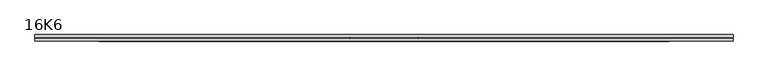
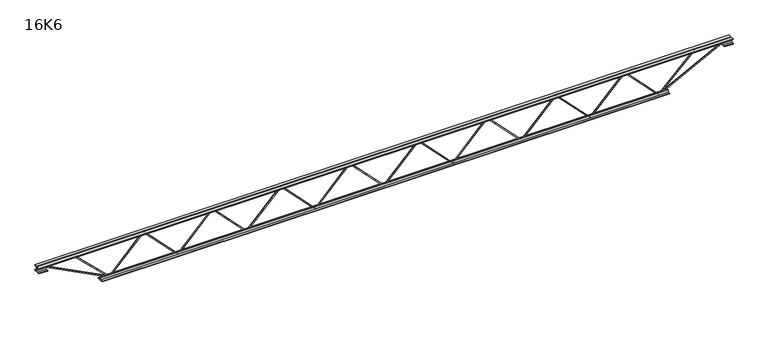
"""IFC4 building model written with IfcOpenShell, lengths in millimetres: beam geometry, 16K6."""

import ifcopenshell
import ifcopenshell.guid

model = None  # the IFC model being written
_history = None  # IfcOwnerHistory: only IFC2X3 demands one
_inside = {}  # id of a spatial element -> (the spatial element, [elements in it])
_under = {}  # id of a project, library or spatial element -> (it, [spatial elements below it])
_declared = {}  # id of a project -> (the project, [libraries it declares])
_typed = {}  # id of a type object -> (the type object, [elements of that type])
_made_of = {}  # id of a material, layer set ... -> (it, [elements and type objects made of it])


def new_model(schema):
    """Start an empty IFC model of exactly this schema.

    Asked for "IFC4X3", IfcOpenShell would pick the latest addendum, in which some entities
    have other attributes; the version numbers below select the first issue.
    IFC2X3 requires an IfcOwnerHistory on every rooted entity: one is made here for all.
    """
    global model, _history
    if schema == "IFC4X3":
        model = ifcopenshell.file(schema_version=(4, 3, 0, 0))
    else:
        model = ifcopenshell.file(schema=schema)
    _inside.clear()
    _under.clear()
    _declared.clear()
    _typed.clear()
    _made_of.clear()
    _history = None
    if model.schema == "IFC2X3":
        org = make("IfcOrganization", Name="unknown")
        user = make(
            "IfcPersonAndOrganization",
            ThePerson=make("IfcPerson", FamilyName="unknown"),
            TheOrganization=org,
        )
        app = make(
            "IfcApplication",
            ApplicationDeveloper=org,
            Version="unknown",
            ApplicationFullName="unknown",
            ApplicationIdentifier="unknown",
        )
        _history = make(
            "IfcOwnerHistory",
            OwningUser=user,
            OwningApplication=app,
            ChangeAction="ADDED",
            CreationDate=0,
        )
    return model


def make(cls, **values):
    """One entity of the class cls with the attributes given. An attribute that is None is left unset."""
    return model.create_entity(
        cls, **{name: value for name, value in values.items() if value is not None}
    )


def rooted(cls, **values):
    """An entity with a GlobalId (a new one), such as an element, a storey or a relation."""
    return make(cls, GlobalId=ifcopenshell.guid.new(), OwnerHistory=_history, **values)


def si_unit(unit_type, name, prefix=None):
    """IfcSIUnit, for example si_unit("LENGTHUNIT", "METRE", prefix="MILLI")."""
    return make("IfcSIUnit", UnitType=unit_type, Prefix=prefix, Name=name)


def assignment(units):
    """IfcUnitAssignment: the units of a project."""
    return None if units is None else make("IfcUnitAssignment", Units=units)


def point(xyz):
    """IfcCartesianPoint."""
    return None if xyz is None else make("IfcCartesianPoint", Coordinates=xyz)


def direction(xyz):
    """IfcDirection."""
    return None if xyz is None else make("IfcDirection", DirectionRatios=xyz)


def frame(location, z_axis=None, x_axis=None):
    """IfcAxis2Placement3D, a coordinate frame: its origin and axes. An axis left out is left unset."""
    return make(
        "IfcAxis2Placement3D",
        Location=point(location),
        Axis=direction(z_axis),
        RefDirection=direction(x_axis),
    )


def origin():
    """The frame at (0, 0, 0) with its axes left unset."""
    return frame((0.0, 0.0, 0.0))


def place(relative_to, where):
    """IfcLocalPlacement: puts the frame where relative to a parent placement (None: the world)."""
    return make(
        "IfcLocalPlacement", PlacementRelTo=relative_to, RelativePlacement=where
    )


def context(
    kind, dimensions, precision=None, world=None, true_north=None, identifier=None
):
    """IfcGeometricRepresentationContext, for example the 3D "Model" context."""
    return make(
        "IfcGeometricRepresentationContext",
        ContextIdentifier=identifier,
        ContextType=kind,
        CoordinateSpaceDimension=dimensions,
        Precision=precision,
        WorldCoordinateSystem=world,
        TrueNorth=true_north,
    )


def project(units=None, contexts=None):
    """IfcProject with its units and contexts."""
    return rooted(
        "IfcProject",
        Name="project",
        RepresentationContexts=contexts,
        UnitsInContext=assignment(units),
    )


def spatial(cls, under=None, at=None, **own):
    """A site, building, storey or space (cls), placed at a placement, below another one or the project."""
    s = rooted(cls, ObjectPlacement=at, **own)
    if under is not None:
        _under.setdefault(under.id(), (under, []))[1].append(s)
    return s


def polyline(points):
    """IfcPolyline through the points."""
    return make("IfcPolyline", Points=[point(p) for p in points])


def outline(outer, holes=None, kind="AREA"):
    """IfcArbitraryClosedProfileDef: a profile drawn as a closed curve; with holes, ...WithVoids."""
    if holes is None:
        return make("IfcArbitraryClosedProfileDef", ProfileType=kind, OuterCurve=outer)
    return make(
        "IfcArbitraryProfileDefWithVoids",
        ProfileType=kind,
        OuterCurve=outer,
        InnerCurves=holes,
    )


def extrude(swept, where, along, depth):
    """IfcExtrudedAreaSolid: the profile swept, set in the frame where, extruded along a direction by depth."""
    return make(
        "IfcExtrudedAreaSolid",
        SweptArea=swept,
        Position=where,
        ExtrudedDirection=direction(along),
        Depth=depth,
    )


def shape(context_of_items, identifier, shape_type, items):
    """IfcShapeRepresentation: the items that make up one representation, for example the "Body"."""
    return make(
        "IfcShapeRepresentation",
        ContextOfItems=context_of_items,
        RepresentationIdentifier=identifier,
        RepresentationType=shape_type,
        Items=items,
    )


def source(mapping_origin, context_of_items, identifier, shape_type, items):
    """IfcRepresentationMap: a shape defined once, which mapped items show again and again."""
    return make(
        "IfcRepresentationMap",
        MappingOrigin=mapping_origin,
        MappedRepresentation=shape(context_of_items, identifier, shape_type, items),
    )


def transform(
    local_origin,
    x_axis=None,
    y_axis=None,
    z_axis=None,
    scale=None,
    scale2=None,
    scale3=None,
    uniform=True,
):
    """IfcCartesianTransformationOperator3D, or its non-uniform kind. x_axis, y_axis, z_axis: its Axis1, 2, 3."""
    if uniform:
        return make(
            "IfcCartesianTransformationOperator3D",
            Axis1=direction(x_axis),
            Axis2=direction(y_axis),
            LocalOrigin=point(local_origin),
            Scale=scale,
            Axis3=direction(z_axis),
        )
    return make(
        "IfcCartesianTransformationOperator3DnonUniform",
        Axis1=direction(x_axis),
        Axis2=direction(y_axis),
        LocalOrigin=point(local_origin),
        Scale=scale,
        Axis3=direction(z_axis),
        Scale2=scale2,
        Scale3=scale3,
    )


def mapped(mapping_source, mapping_target):
    """IfcMappedItem: shows the shape of a source again, moved by a transform."""
    return make(
        "IfcMappedItem", MappingSource=mapping_source, MappingTarget=mapping_target
    )


def made_of(thing, what):
    """Note that an element or type object is made of a material, layer set ...; save() writes the relation."""
    if what is not None:
        _made_of.setdefault(what.id(), (what, []))[1].append(thing)
    return thing


def element(
    cls,
    number,
    at=None,
    inside=None,
    cuts=None,
    type_object=None,
    material=None,
    context=None,
    identifier="Body",
    shape_type=None,
    held_by="IfcProductDefinitionShape",
    body=None,
    shapes=None,
    **own,
):
    """One element of the class cls, such as IfcWall. Its Tag is "e" and its number.

    at: its placement. inside: the storey or other place that contains it. cuts: it is an
    opening in that element (IfcRelVoidsElement). A single representation is given by context,
    identifier, shape_type and body (its items); several are given by shapes. held_by: the class
    of the entity that holds the representations. save() writes the other relations.
    """
    e = rooted(cls, Tag="e%d" % number, ObjectPlacement=at, **own)
    if body is not None:
        shapes = [shape(context, identifier, shape_type, body)]
    if shapes is not None:
        e.Representation = make(held_by, Representations=shapes)
    if inside is not None:
        _inside.setdefault(inside.id(), (inside, []))[1].append(e)
    if cuts is not None:
        rooted(
            "IfcRelVoidsElement", RelatingBuildingElement=cuts, RelatedOpeningElement=e
        )
    if type_object is not None:
        _typed.setdefault(type_object.id(), (type_object, []))[1].append(e)
    return made_of(e, material)


def aggregate(whole, parts):
    """IfcRelAggregates: a whole, such as a stair, and the parts it consists of."""
    return rooted("IfcRelAggregates", RelatingObject=whole, RelatedObjects=parts)


def save(model, path):
    """Write the relations noted so far, then the file.

    IfcRelAggregates (storeys below a building ...), IfcRelContainedInSpatialStructure (elements
    in a storey), IfcRelDefinesByType, IfcRelAssociatesMaterial and IfcRelDeclares: one each for
    every whole, place, type object, material and project.
    """
    for whole, parts in _under.values():
        aggregate(whole, parts)
    for where, things in _inside.values():
        rooted(
            "IfcRelContainedInSpatialStructure",
            RelatedElements=things,
            RelatingStructure=where,
        )
    for kind, things in _typed.values():
        rooted("IfcRelDefinesByType", RelatedObjects=things, RelatingType=kind)
    for what, things in _made_of.values():
        rooted("IfcRelAssociatesMaterial", RelatedObjects=things, RelatingMaterial=what)
    for by, libraries in _declared.values():
        rooted("IfcRelDeclares", RelatingContext=by, RelatedDefinitions=libraries)
    model.write(path)


def beam_16k6_2b6d0ea9(model_context):
    return source(origin(), model_context, "Body", "SweptSolid", [
        extrude(outline(polyline([(-191.9, 1542.0), (-201.4, 1542.0), (-201.4, 1547.1936747), (191.9, 1926.3436747), (191.9, 1928.6563253), (-201.4, 2307.8063253), (-201.4, 2313.0), (-191.9, 2313.0), (-191.9, 2311.8436747), (201.4, 1932.6936747), (201.4, 1922.3063253), (-191.9, 1543.1563253), (-191.9, 1542.0)])), frame((0.0, -4.75, 0.0), z_axis=(0.0, 1.0, 0.0), x_axis=(0.0, 0.0, 1.0)), (0.0, 0.0, 1.0), 9.5),
        extrude(outline(polyline([(-191.9, 771.0), (-201.4, 771.0), (-201.4, 776.1936747), (191.9, 1155.3436747), (191.9, 1157.6563253), (-201.4, 1536.8063253), (-201.4, 1542.0), (-191.9, 1542.0), (-191.9, 1540.8436747), (201.4, 1161.6936747), (201.4, 1151.3063253), (-191.9, 772.1563253), (-191.9, 771.0)])), frame((0.0, -4.75, 0.0), z_axis=(0.0, 1.0, 0.0), x_axis=(0.0, 0.0, 1.0)), (0.0, 0.0, 1.0), 9.5),
        extrude(outline(polyline([(-191.9, 0.0), (-201.4, 0.0), (-201.4, 5.1936747), (191.9, 384.3436747), (191.9, 386.6563253), (-201.4, 765.8063253), (-201.4, 771.0), (-191.9, 771.0), (-191.9, 769.8436747), (201.4, 390.6936747), (201.4, 380.3063253), (-191.9, 1.1563253), (-191.9, 0.0)])), frame((0.0, -4.75, 0.0), z_axis=(0.0, 1.0, 0.0), x_axis=(0.0, 0.0, 1.0)), (0.0, 0.0, 1.0), 9.5),
        extrude(outline(polyline([(-191.9, -771.0), (-201.4, -771.0), (-201.4, -765.8063253), (191.9, -386.6563253), (191.9, -384.3436747), (-201.4, -5.1936747), (-201.4, 0.0), (-191.9, 0.0), (-191.9, -1.1563253), (201.4, -380.3063253), (201.4, -390.6936747), (-191.9, -769.8436747), (-191.9, -771.0)])), frame((0.0, -4.75, 0.0), z_axis=(0.0, 1.0, 0.0), x_axis=(0.0, 0.0, 1.0)), (0.0, 0.0, 1.0), 9.5),
        extrude(outline(polyline([(-191.9, -1542.0), (-201.4, -1542.0), (-201.4, -1536.8063253), (191.9, -1157.6563253), (191.9, -1155.3436747), (-201.4, -776.1936747), (-201.4, -771.0), (-191.9, -771.0), (-191.9, -772.1563253), (201.4, -1151.3063253), (201.4, -1161.6936747), (-191.9, -1540.8436747), (-191.9, -1542.0)])), frame((0.0, -4.75, 0.0), z_axis=(0.0, 1.0, 0.0), x_axis=(0.0, 0.0, 1.0)), (0.0, 0.0, 1.0), 9.5),
        extrude(outline(polyline([(-191.9, -2313.0), (-201.4, -2313.0), (-201.4, -2307.8063253), (191.9, -1928.6563253), (191.9, -1926.3436747), (-201.4, -1547.1936747), (-201.4, -1542.0), (-191.9, -1542.0), (-191.9, -1543.1563253), (201.4, -1922.3063253), (201.4, -1932.6936747), (-191.9, -2311.8436747), (-191.9, -2313.0)])), frame((0.0, -4.75, 0.0), z_axis=(0.0, 1.0, 0.0), x_axis=(0.0, 0.0, 1.0)), (0.0, 0.0, 1.0), 9.5),
        extrude(outline(polyline([(-191.9, 2313.0), (-201.4, 2313.0), (-201.4, 2318.1936747), (191.9, 2697.3436747), (191.9, 2699.6563253), (-201.4, 3078.8063253), (-201.4, 3084.0), (-191.9, 3084.0), (-191.9, 3082.8436747), (201.4, 2703.6936747), (201.4, 2693.3063253), (-191.9, 2314.1563253), (-191.9, 2313.0)])), frame((0.0, -4.75, 0.0), z_axis=(0.0, 1.0, 0.0), x_axis=(0.0, 0.0, 1.0)), (0.0, 0.0, 1.0), 9.5),
        extrude(outline(polyline([(-191.9, -3084.0), (-201.4, -3084.0), (-201.4, -3078.8063253), (191.9, -2699.6563253), (191.9, -2697.3436747), (-201.4, -2318.1936747), (-201.4, -2313.0), (-191.9, -2313.0), (-191.9, -2314.1563253), (201.4, -2693.3063253), (201.4, -2703.6936747), (-191.9, -3082.8436747), (-191.9, -3084.0)])), frame((0.0, -4.75, 0.0), z_axis=(0.0, 1.0, 0.0), x_axis=(0.0, 0.0, 1.0)), (0.0, 0.0, 1.0), 9.5),
        extrude(outline(polyline([(4.75, 203.0), (36.75, 203.0), (36.75, 196.5), (11.25, 196.5), (11.25, 171.0), (4.75, 171.0), (4.75, 203.0)])), frame((-3896.0, 0.0, 0.0), z_axis=(1.0, 0.0, 0.0), x_axis=(0.0, 1.0, 0.0)), (0.0, 0.0, 1.0), 7792.0),
        extrude(outline(polyline([(-4.75, 203.0), (-4.75, 171.0), (-11.25, 171.0), (-11.25, 196.5), (-36.75, 196.5), (-36.75, 203.0), (-4.75, 203.0)])), frame((-3896.0, 0.0, 0.0), z_axis=(1.0, 0.0, 0.0), x_axis=(0.0, 1.0, 0.0)), (0.0, 0.0, 1.0), 7792.0),
        extrude(outline(polyline([(-4.75, 139.5), (-36.75, 139.5), (-36.75, 146.0), (-11.25, 146.0), (-11.25, 171.0), (-4.75, 171.0), (-4.75, 139.5)])), frame((-3896.0, 0.0, 0.0), z_axis=(1.0, 0.0, 0.0), x_axis=(0.0, 1.0, 0.0)), (0.0, 0.0, 1.0), 100.0),
        extrude(outline(polyline([(36.75, 139.5), (4.75, 139.5), (4.75, 171.0), (11.25, 171.0), (11.25, 146.0), (36.75, 146.0), (36.75, 139.5)])), frame((-3896.0, 0.0, 0.0), z_axis=(1.0, 0.0, 0.0), x_axis=(0.0, 1.0, 0.0)), (0.0, 0.0, 1.0), 100.0),
        extrude(outline(polyline([(4.75, 139.5), (4.75, 171.0), (11.25, 171.0), (11.25, 146.0), (36.75, 146.0), (36.75, 139.5), (4.75, 139.5)])), frame((3796.0, 0.0, 0.0), z_axis=(1.0, 0.0, 0.0), x_axis=(0.0, 1.0, 0.0)), (0.0, 0.0, 1.0), 100.0),
        extrude(outline(polyline([(-4.75, 139.5), (-36.75, 139.5), (-36.75, 146.0), (-11.25, 146.0), (-11.25, 171.0), (-4.75, 171.0), (-4.75, 139.5)])), frame((3796.0, 0.0, 0.0), z_axis=(1.0, 0.0, 0.0), x_axis=(0.0, 1.0, 0.0)), (0.0, 0.0, 1.0), 100.0),
        extrude(outline(polyline([(4.75, -203.0), (4.75, -171.0), (11.25, -171.0), (11.25, -196.5), (36.75, -196.5), (36.75, -203.0), (4.75, -203.0)])), frame((-3184.0, 0.0, 0.0), z_axis=(1.0, 0.0, 0.0), x_axis=(0.0, 1.0, 0.0)), (0.0, 0.0, 1.0), 6368.0),
        extrude(outline(polyline([(-4.75, -203.0), (-36.75, -203.0), (-36.75, -196.5), (-11.25, -196.5), (-11.25, -171.0), (-4.75, -171.0), (-4.75, -203.0)])), frame((-3184.0, 0.0, 0.0), z_axis=(1.0, 0.0, 0.0), x_axis=(0.0, 1.0, 0.0)), (0.0, 0.0, 1.0), 6368.0),
        extrude(outline(polyline([(-200.8705467, -3086.1793315), (-192.4294533, -3081.8206685), (175.75, -3794.8460208), (175.75, -3896.0), (166.25, -3896.0), (166.25, -3797.1539792), (-200.8705467, -3086.1793315)])), frame((0.0, -4.75, 0.0), z_axis=(0.0, 1.0, 0.0), x_axis=(0.0, 0.0, 1.0)), (0.0, 0.0, 1.0), 9.5),
        extrude(outline(polyline([(188.7, -3489.4571429), (179.2, -3489.4571429), (179.2, -3478.6810613), (-200.0611353, -3087.3055493), (-193.2388647, -3080.6944507), (188.7, -3474.8332244), (188.7, -3489.4571429)])), frame((0.0, -4.75, 0.0), z_axis=(0.0, 1.0, 0.0), x_axis=(0.0, 0.0, 1.0)), (0.0, 0.0, 1.0), 9.5),
        extrude(outline(polyline([(0.0, -9.5), (0.0, 0.0), (801.3179909, 0.0), (801.3179909, -9.5), (0.0, -9.5)])), frame((3798.1793315, -4.75, 166.7794533), z_axis=(-0.45880662132449634, 0.0, 0.8885361468329808), x_axis=(-0.8885361468329808, 0.0, -0.45880662132449634)), (0.0, 0.0, 1.0), 9.5),
        extrude(outline(polyline([(0.0, -9.5), (0.0, 0.0), (560.978002, 0.0), (560.978002, -9.5), (0.0, -9.5)])), frame((3487.3444965, -4.75, 193.262937), z_axis=(-0.7010970101648254, 0.0, 0.7130659032220955), x_axis=(-0.7130659032220955, 0.0, -0.7010970101648254)), (0.0, 0.0, 1.0), 9.5),
    ])


if __name__ == "__main__":
    model = new_model("IFC4")
    model_context = context("Model", 3, world=origin())
    ifc_project = project(units=[si_unit("LENGTHUNIT", "METRE", prefix="MILLI")], contexts=[model_context])
    site = spatial("IfcSite", under=ifc_project)
    building = spatial("IfcBuilding", under=site)
    placement = place(None, origin())
    beam_16k6_shape = beam_16k6_2b6d0ea9(model_context)
    element("IfcBeam", 1, ObjectType="16K6", at=placement, inside=building, context=model_context, shape_type="MappedRepresentation", body=[
        mapped(beam_16k6_shape, transform((0.0, 0.0, 0.0), x_axis=(1.0, 0.0, 0.0), y_axis=(0.0, 1.0, 0.0), z_axis=(0.0, 0.0, 1.0))),
    ])
    save(model, "model.ifc")
